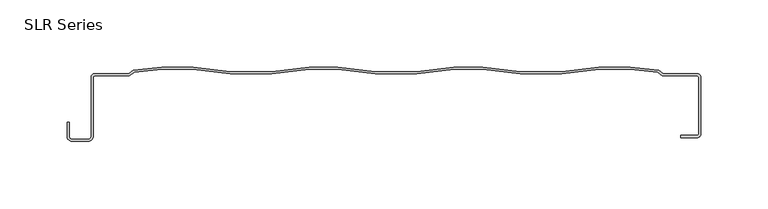
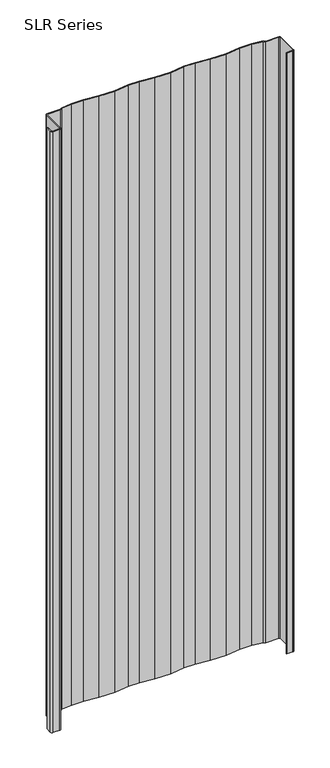
"""IFC4 building model written with IfcOpenShell, lengths in millimetres: plate geometry, SLR Series."""

from ifc_helpers import new_model, si_unit, point, frame_2d, origin, origin_with_axes, place, context, project, spatial, polyline, circle_curve, trimmed, segment, composite_curve, outline, extrude, source, transform, mapped, element, save


def slr_series_6e8389ed(model_context):
    return source(origin(), model_context, "Body", "SweptSolid", [
        extrude(outline(composite_curve([segment(trimmed(circle_curve(frame_2d((226.5762297, -49.7049322)), 2.7737702), [point((229.3499998, -49.7049322))], [point((226.5762297, -52.4787023))], False, "CARTESIAN"), True, "CONTINUOUS"), segment(polyline([(226.5762297, -52.4787023), (214.496908, -52.4787023), (214.496908, -50.860968), (226.5762297, -50.860968)]), True, "CONTINUOUS"), segment(trimmed(circle_curve(frame_2d((226.5762297, -49.7049322)), 1.1560358), [point((226.5762297, -50.860968))], [point((227.7322655, -49.7049322))], True, "CARTESIAN"), True, "CONTINUOUS"), segment(polyline([(227.7322655, -49.7049322), (227.7322655, -7.7561532)]), True, "CONTINUOUS"), segment(trimmed(circle_curve(frame_2d((226.4475489, -7.7561532)), 1.2847166), [point((227.7322655, -7.7561532))], [point((226.4475489, -6.4714367))], True, "CARTESIAN"), True, "CONTINUOUS"), segment(polyline([(226.4475489, -6.4714367), (200.6422028, -6.4714367), (197.1586825, -3.8587965), (176.7271876, -1.5435186), (153.5073746, -1.5435186), (125.7389366, -5.0145733), (94.6643426, -5.0145733), (66.8959046, -1.5435186), (45.5747679, -1.5435186), (17.8063299, -5.0145733), (-13.2682641, -5.0145733), (-41.0367021, -1.5435186), (-62.3578388, -1.5435186), (-90.1262768, -5.0145733), (-121.2008707, -5.0145733), (-148.9693087, -1.5435186), (-172.1891217, -1.5435186), (-192.6206166, -3.8587965), (-196.2105669, -6.5512592), (-222.0953572, -6.5512592)]), True, "CONTINUOUS"), segment(trimmed(circle_curve(frame_2d((-222.0953572, -7.6635924)), 1.1123332), [point((-222.0953572, -6.5512592))], [point((-223.2076904, -7.6635924))], True, "CARTESIAN"), True, "CONTINUOUS"), segment(polyline([(-223.2076904, -7.6635924), (-223.2076904, -51.601347)]), True, "CONTINUOUS"), segment(trimmed(circle_curve(frame_2d((-226.7400509, -51.601347)), 3.5323605), [point((-223.2076904, -51.601347))], [point((-226.7400509, -55.1337075))], False, "CARTESIAN"), True, "CONTINUOUS"), segment(polyline([(-226.7400509, -55.1337075), (-239.1259008, -55.1337075)]), True, "CONTINUOUS"), segment(trimmed(circle_curve(frame_2d((-239.1259008, -51.601347)), 3.5323605), [point((-239.1259008, -55.1337075))], [point((-242.6582613, -51.601347))], False, "CARTESIAN"), True, "CONTINUOUS"), segment(polyline([(-242.6582613, -51.601347), (-242.6582613, -41.1948398), (-241.1052436, -41.1948398), (-241.1052436, -51.601347)]), True, "CONTINUOUS"), segment(trimmed(circle_curve(frame_2d((-239.1259008, -51.601347)), 1.9793427), [point((-241.1052436, -51.601347))], [point((-239.1259008, -53.5806897))], True, "CARTESIAN"), True, "CONTINUOUS"), segment(polyline([(-239.1259008, -53.5806897), (-226.7400509, -53.5806897)]), True, "CONTINUOUS"), segment(trimmed(circle_curve(frame_2d((-226.7400509, -51.601347)), 1.9793427), [point((-226.7400509, -53.5806897))], [point((-224.7607082, -51.601347))], True, "CARTESIAN"), True, "CONTINUOUS"), segment(polyline([(-224.7607082, -51.601347), (-224.7607082, -7.5287119)]), True, "CONTINUOUS"), segment(trimmed(circle_curve(frame_2d((-222.035452, -7.5287119)), 2.7252562), [point((-224.7607082, -7.5287119))], [point((-222.0953572, -4.8041142))], False, "CARTESIAN"), True, "CONTINUOUS"), segment(polyline([(-222.0953572, -4.8041142), (-196.7929486, -4.8041142), (-193.5732103, -2.3893105), (-172.2533237, 0.0), (-148.8734036, -0.0030647), (-121.1047748, -3.4710547), (-90.2223727, -3.4710547), (-62.4539347, 0.0), (-40.9406061, 0.0), (-13.1721681, -3.4710547), (17.7102339, -3.4710547), (45.4786719, 0.0), (66.9920006, 0.0), (94.7604386, -3.4710547), (125.6428406, -3.4710547), (153.4114694, -0.0030647), (176.7913896, 0.0), (198.1112762, -2.3893105), (201.4374444, -4.8839367), (226.4777833, -4.8839367)]), True, "CONTINUOUS"), segment(trimmed(circle_curve(frame_2d((226.4777833, -7.7561532)), 2.8722166), [point((226.4777833, -4.8839367))], [point((229.3499998, -7.7561532))], False, "CARTESIAN"), True, "CONTINUOUS"), segment(polyline([(229.3499998, -7.7561532), (229.3499998, -49.7049322)]), True, "CONTINUOUS")], self_intersect=False)), origin_with_axes(), (0.0, 0.0, 1.0), 1228.3559792),
    ])


if __name__ == "__main__":
    model = new_model("IFC4")
    model_context = context("Model", 3, world=origin())
    ifc_project = project(units=[si_unit("LENGTHUNIT", "METRE", prefix="MILLI")], contexts=[model_context])
    site = spatial("IfcSite", under=ifc_project)
    building = spatial("IfcBuilding", under=site)
    placement = place(None, origin())
    slr_series_shape = slr_series_6e8389ed(model_context)
    element("IfcPlate", 1, ObjectType="SLR Series", at=placement, inside=building, context=model_context, shape_type="MappedRepresentation", body=[
        mapped(slr_series_shape, transform((0.0, 0.0, 0.0), x_axis=(1.0, 0.0, 0.0), y_axis=(0.0, 1.0, 0.0), z_axis=(0.0, 0.0, 1.0))),
    ])
    save(model, "model.ifc")
